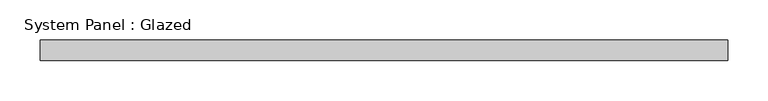
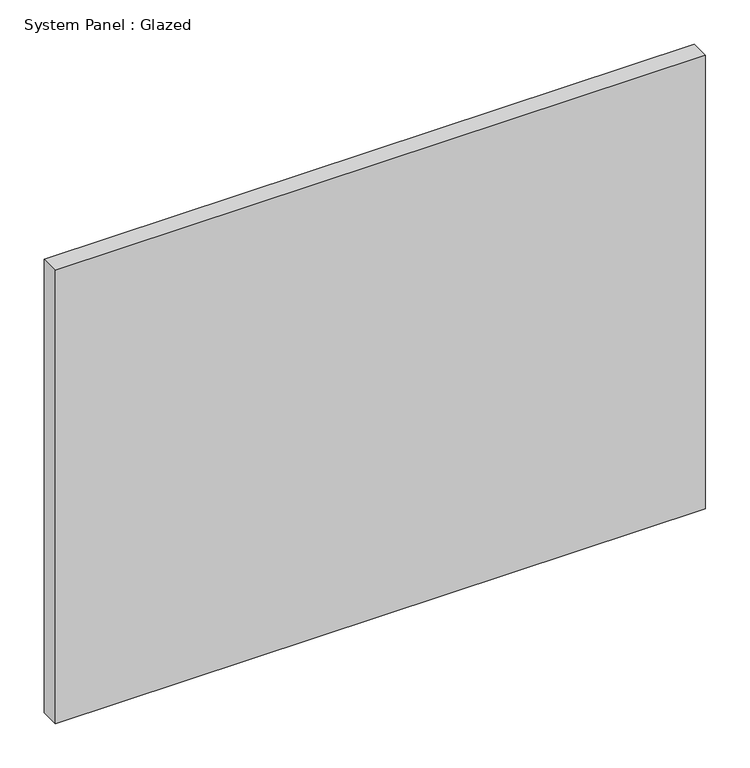
"""IFC4 building model written with IfcOpenShell, lengths in millimetres: plate geometry, System Panel : Glazed."""

from ifc_helpers import new_model, si_unit, origin, origin_with_axes, place, context, project, spatial, polyline, outline, extrude, source, transform, mapped, element, save


def system_panel_glazed_9ff2d62d(model_context):
    return source(origin(), model_context, "Body", "SweptSolid", [
        extrude(outline(polyline([(425.0, -49.5), (-425.0, -49.5), (-425.0, -24.5), (425.0, -24.5), (425.0, -49.5)])), origin_with_axes(), (0.0, 0.0, 1.0), 626.6666667),
    ])


if __name__ == "__main__":
    model = new_model("IFC4")
    model_context = context("Model", 3, world=origin())
    ifc_project = project(units=[si_unit("LENGTHUNIT", "METRE", prefix="MILLI")], contexts=[model_context])
    site = spatial("IfcSite", under=ifc_project)
    building = spatial("IfcBuilding", under=site)
    placement = place(None, origin())
    system_panel_glazed_shape = system_panel_glazed_9ff2d62d(model_context)
    element("IfcPlate", 1, ObjectType="System Panel : Glazed", at=placement, inside=building, context=model_context, shape_type="MappedRepresentation", body=[
        mapped(system_panel_glazed_shape, transform((0.0, 0.0, 0.0), x_axis=(1.0, 0.0, 0.0), y_axis=(0.0, 1.0, 0.0), z_axis=(0.0, 0.0, 1.0))),
    ])
    save(model, "model.ifc")
